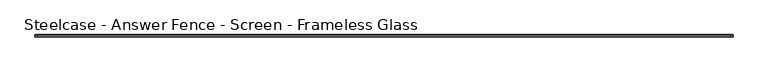
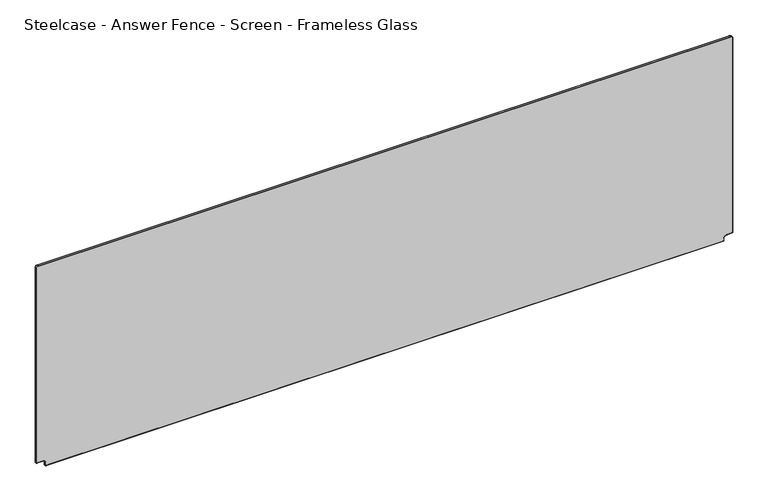
"""IFC4 building model written with IfcOpenShell, lengths in millimetres: furniture geometry, Steelcase - Answer Fence - Screen - Frameless Glass."""

import ifcopenshell
import ifcopenshell.guid

model = None  # the IFC model being written
_history = None  # IfcOwnerHistory: only IFC2X3 demands one
_inside = {}  # id of a spatial element -> (the spatial element, [elements in it])
_under = {}  # id of a project, library or spatial element -> (it, [spatial elements below it])
_declared = {}  # id of a project -> (the project, [libraries it declares])
_typed = {}  # id of a type object -> (the type object, [elements of that type])
_made_of = {}  # id of a material, layer set ... -> (it, [elements and type objects made of it])


def new_model(schema):
    """Start an empty IFC model of exactly this schema.

    Asked for "IFC4X3", IfcOpenShell would pick the latest addendum, in which some entities
    have other attributes; the version numbers below select the first issue.
    IFC2X3 requires an IfcOwnerHistory on every rooted entity: one is made here for all.
    """
    global model, _history
    if schema == "IFC4X3":
        model = ifcopenshell.file(schema_version=(4, 3, 0, 0))
    else:
        model = ifcopenshell.file(schema=schema)
    _inside.clear()
    _under.clear()
    _declared.clear()
    _typed.clear()
    _made_of.clear()
    _history = None
    if model.schema == "IFC2X3":
        org = make("IfcOrganization", Name="unknown")
        user = make(
            "IfcPersonAndOrganization",
            ThePerson=make("IfcPerson", FamilyName="unknown"),
            TheOrganization=org,
        )
        app = make(
            "IfcApplication",
            ApplicationDeveloper=org,
            Version="unknown",
            ApplicationFullName="unknown",
            ApplicationIdentifier="unknown",
        )
        _history = make(
            "IfcOwnerHistory",
            OwningUser=user,
            OwningApplication=app,
            ChangeAction="ADDED",
            CreationDate=0,
        )
    return model


def make(cls, **values):
    """One entity of the class cls with the attributes given. An attribute that is None is left unset."""
    return model.create_entity(
        cls, **{name: value for name, value in values.items() if value is not None}
    )


def rooted(cls, **values):
    """An entity with a GlobalId (a new one), such as an element, a storey or a relation."""
    return make(cls, GlobalId=ifcopenshell.guid.new(), OwnerHistory=_history, **values)


def si_unit(unit_type, name, prefix=None):
    """IfcSIUnit, for example si_unit("LENGTHUNIT", "METRE", prefix="MILLI")."""
    return make("IfcSIUnit", UnitType=unit_type, Prefix=prefix, Name=name)


def assignment(units):
    """IfcUnitAssignment: the units of a project."""
    return None if units is None else make("IfcUnitAssignment", Units=units)


def point(xyz):
    """IfcCartesianPoint."""
    return None if xyz is None else make("IfcCartesianPoint", Coordinates=xyz)


def direction(xyz):
    """IfcDirection."""
    return None if xyz is None else make("IfcDirection", DirectionRatios=xyz)


def frame(location, z_axis=None, x_axis=None):
    """IfcAxis2Placement3D, a coordinate frame: its origin and axes. An axis left out is left unset."""
    return make(
        "IfcAxis2Placement3D",
        Location=point(location),
        Axis=direction(z_axis),
        RefDirection=direction(x_axis),
    )


def origin():
    """The frame at (0, 0, 0) with its axes left unset."""
    return frame((0.0, 0.0, 0.0))


def place(relative_to, where):
    """IfcLocalPlacement: puts the frame where relative to a parent placement (None: the world)."""
    return make(
        "IfcLocalPlacement", PlacementRelTo=relative_to, RelativePlacement=where
    )


def context(
    kind, dimensions, precision=None, world=None, true_north=None, identifier=None
):
    """IfcGeometricRepresentationContext, for example the 3D "Model" context."""
    return make(
        "IfcGeometricRepresentationContext",
        ContextIdentifier=identifier,
        ContextType=kind,
        CoordinateSpaceDimension=dimensions,
        Precision=precision,
        WorldCoordinateSystem=world,
        TrueNorth=true_north,
    )


def project(units=None, contexts=None):
    """IfcProject with its units and contexts."""
    return rooted(
        "IfcProject",
        Name="project",
        RepresentationContexts=contexts,
        UnitsInContext=assignment(units),
    )


def spatial(cls, under=None, at=None, **own):
    """A site, building, storey or space (cls), placed at a placement, below another one or the project."""
    s = rooted(cls, ObjectPlacement=at, **own)
    if under is not None:
        _under.setdefault(under.id(), (under, []))[1].append(s)
    return s


def polyline(points):
    """IfcPolyline through the points."""
    return make("IfcPolyline", Points=[point(p) for p in points])


def circle_curve(where, radius):
    """IfcCircle in the frame where."""
    return make("IfcCircle", Position=where, Radius=radius)


def ellipse_curve(where, semi_axis1, semi_axis2):
    """IfcEllipse in the frame where."""
    return make(
        "IfcEllipse", Position=where, SemiAxis1=semi_axis1, SemiAxis2=semi_axis2
    )


def trimmed(basis, trim1, trim2, sense, master):
    """IfcTrimmedCurve: the piece of a basis curve between two trims."""
    return make(
        "IfcTrimmedCurve",
        BasisCurve=basis,
        Trim1=trim1,
        Trim2=trim2,
        SenseAgreement=sense,
        MasterRepresentation=master,
    )


def shape(context_of_items, identifier, shape_type, items):
    """IfcShapeRepresentation: the items that make up one representation, for example the "Body"."""
    return make(
        "IfcShapeRepresentation",
        ContextOfItems=context_of_items,
        RepresentationIdentifier=identifier,
        RepresentationType=shape_type,
        Items=items,
    )


def source(mapping_origin, context_of_items, identifier, shape_type, items):
    """IfcRepresentationMap: a shape defined once, which mapped items show again and again."""
    return make(
        "IfcRepresentationMap",
        MappingOrigin=mapping_origin,
        MappedRepresentation=shape(context_of_items, identifier, shape_type, items),
    )


def transform(
    local_origin,
    x_axis=None,
    y_axis=None,
    z_axis=None,
    scale=None,
    scale2=None,
    scale3=None,
    uniform=True,
):
    """IfcCartesianTransformationOperator3D, or its non-uniform kind. x_axis, y_axis, z_axis: its Axis1, 2, 3."""
    if uniform:
        return make(
            "IfcCartesianTransformationOperator3D",
            Axis1=direction(x_axis),
            Axis2=direction(y_axis),
            LocalOrigin=point(local_origin),
            Scale=scale,
            Axis3=direction(z_axis),
        )
    return make(
        "IfcCartesianTransformationOperator3DnonUniform",
        Axis1=direction(x_axis),
        Axis2=direction(y_axis),
        LocalOrigin=point(local_origin),
        Scale=scale,
        Axis3=direction(z_axis),
        Scale2=scale2,
        Scale3=scale3,
    )


def mapped(mapping_source, mapping_target):
    """IfcMappedItem: shows the shape of a source again, moved by a transform."""
    return make(
        "IfcMappedItem", MappingSource=mapping_source, MappingTarget=mapping_target
    )


def made_of(thing, what):
    """Note that an element or type object is made of a material, layer set ...; save() writes the relation."""
    if what is not None:
        _made_of.setdefault(what.id(), (what, []))[1].append(thing)
    return thing


def element(
    cls,
    number,
    at=None,
    inside=None,
    cuts=None,
    type_object=None,
    material=None,
    context=None,
    identifier="Body",
    shape_type=None,
    held_by="IfcProductDefinitionShape",
    body=None,
    shapes=None,
    **own,
):
    """One element of the class cls, such as IfcWall. Its Tag is "e" and its number.

    at: its placement. inside: the storey or other place that contains it. cuts: it is an
    opening in that element (IfcRelVoidsElement). A single representation is given by context,
    identifier, shape_type and body (its items); several are given by shapes. held_by: the class
    of the entity that holds the representations. save() writes the other relations.
    """
    e = rooted(cls, Tag="e%d" % number, ObjectPlacement=at, **own)
    if body is not None:
        shapes = [shape(context, identifier, shape_type, body)]
    if shapes is not None:
        e.Representation = make(held_by, Representations=shapes)
    if inside is not None:
        _inside.setdefault(inside.id(), (inside, []))[1].append(e)
    if cuts is not None:
        rooted(
            "IfcRelVoidsElement", RelatingBuildingElement=cuts, RelatedOpeningElement=e
        )
    if type_object is not None:
        _typed.setdefault(type_object.id(), (type_object, []))[1].append(e)
    return made_of(e, material)


def aggregate(whole, parts):
    """IfcRelAggregates: a whole, such as a stair, and the parts it consists of."""
    return rooted("IfcRelAggregates", RelatingObject=whole, RelatedObjects=parts)


def save(model, path):
    """Write the relations noted so far, then the file.

    IfcRelAggregates (storeys below a building ...), IfcRelContainedInSpatialStructure (elements
    in a storey), IfcRelDefinesByType, IfcRelAssociatesMaterial and IfcRelDeclares: one each for
    every whole, place, type object, material and project.
    """
    for whole, parts in _under.values():
        aggregate(whole, parts)
    for where, things in _inside.values():
        rooted(
            "IfcRelContainedInSpatialStructure",
            RelatedElements=things,
            RelatingStructure=where,
        )
    for kind, things in _typed.values():
        rooted("IfcRelDefinesByType", RelatedObjects=things, RelatingType=kind)
    for what, things in _made_of.values():
        rooted("IfcRelAssociatesMaterial", RelatedObjects=things, RelatingMaterial=what)
    for by, libraries in _declared.values():
        rooted("IfcRelDeclares", RelatingContext=by, RelatedDefinitions=libraries)
    model.write(path)


def plane_surface(at):
    """IfcPlane: the flat surface through the origin of the frame at, square to its z axis."""
    return make("IfcPlane", Position=at)


def cylinder_surface(at, radius):
    """IfcCylindricalSurface: all points at the distance radius from the z axis of the frame at."""
    return make("IfcCylindricalSurface", Position=at, Radius=radius)


def revolved_surface(curve, axis_point, axis_direction):
    """IfcSurfaceOfRevolution: the curve turned about the line through axis_point along axis_direction."""
    return make(
        "IfcSurfaceOfRevolution",
        SweptCurve=make("IfcArbitraryOpenProfileDef", ProfileType="CURVE", Curve=curve),
        AxisPosition=make("IfcAxis1Placement", Location=point(axis_point), Axis=direction(axis_direction)),
    )


def advanced_brep(points, edges, surfaces, faces):
    """IfcAdvancedBrep: a solid bounded by faces that lie on surfaces and meet in shared edges.

    An edge is (start, end): straight between two places in points (the first is 0);
    or (start, end, curve); or (start, end, curve, False) where it runs against its curve.
    A face is (place in surfaces, loops), or (place, loops, False) where it looks against
    its surface's normal. A loop lists edges by number (the first is 1), with a minus sign
    where the edge is run from its end to its start. The first loop is the outer one.
    """
    corners = [point(p) for p in points]
    vertices = [make("IfcVertexPoint", VertexGeometry=c) for c in corners]
    made = []
    for start, end, *more in edges:
        made.append(
            make(
                "IfcEdgeCurve",
                EdgeStart=vertices[start],
                EdgeEnd=vertices[end],
                EdgeGeometry=more[0] if more else make("IfcPolyline", Points=[corners[start], corners[end]]),
                SameSense=more[1] if len(more) > 1 else True,
            )
        )
    hull = []
    for where, loops, *sense in faces:
        bounds = []
        for j, loop in enumerate(loops):
            ring = [make("IfcOrientedEdge", EdgeElement=made[abs(k) - 1], Orientation=k > 0) for k in loop]
            bounds.append(
                make(
                    "IfcFaceOuterBound" if j == 0 else "IfcFaceBound",
                    Bound=make("IfcEdgeLoop", EdgeList=ring),
                    Orientation=True,
                )
            )
        hull.append(make("IfcAdvancedFace", Bounds=bounds, FaceSurface=surfaces[where], SameSense=sense[0] if sense else True))
    return make("IfcAdvancedBrep", Outer=make("IfcClosedShell", CfsFaces=hull))


def steelcase_answer_fence_screen_frameless_glass_b4fc2ed7(model_context):
    return source(origin(), model_context, "Body", "AdvancedBrep", [
        advanced_brep(
        [(-37.1058573, 0.0, 1236.4547231), (-32.5585153, 0.0, 1241.0020651), (1785.137377, 0.0, 1240.9797485), (1789.7058573, 0.0, 1236.4335847), (1789.6835407, 0.0, 696.7219419), (1773.9031504, 0.0, 696.7219419), (1765.5535698, 0.0, 688.3723612), (1765.5535698, 0.0, 681.6832625), (-12.9550716, 0.0, 681.6832625), (-12.9550716, 0.0, 688.4063736), (-21.2706399, 0.0, 696.7219419), (-37.0835407, 0.0, 696.7219419), (-32.5585153, -5.9942078, 1241.0018434), (-37.1056357, -5.9942078, 1236.4547231), (-37.1056357, -5.9942078, 696.7219419), (-21.2706399, -5.9942078, 696.6998469), (-12.9550716, -5.9942078, 688.4063736), (-12.9771666, -5.9942078, 681.6832625), (1765.5535698, -5.9942078, 681.6611675), (1765.5756647, -5.9942078, 688.3723612), (1773.9031504, -5.9942078, 696.7219419), (1789.6835407, -5.9942078, 696.6998469), (1789.7056357, -5.9942078, 1236.4335847), (1785.137377, -5.9942078, 1241.0018434), (-38.1106579, -1.0158976, 1236.4547231), (-32.5585153, -1.0158976, 1242.0068656), (-38.1106579, -4.9781981, 1236.4547231), (-32.5585153, -4.9781981, 1242.0068656), (-38.1106579, -1.0158976, 695.6948247), (-38.1106579, -4.9781981, 695.6948247), (-21.2706399, -1.0158976, 695.6948247), (-21.2706399, -4.9781981, 695.6948247), (-13.9821888, -1.0158976, 688.4063736), (-13.9821888, -4.9781981, 688.4063736), (-13.9821888, -1.0158976, 680.6561453), (-13.9821888, -4.9781981, 680.6561453), (1766.580687, -1.0158976, 680.6561453), (1766.580687, -4.9781981, 680.6561453), (1766.580687, -1.0158976, 688.3723612), (1766.580687, -4.9781981, 688.3723612), (1773.9031504, -1.0158976, 695.6948247), (1773.9031504, -4.9781981, 695.6948247), (1790.7106579, -1.0158976, 695.6948247), (1790.7106579, -4.9781981, 695.6948247), (1790.7106579, -1.0158976, 1236.4335847), (1790.7106579, -4.9781981, 1236.4335847), (1785.137377, -1.0158976, 1242.0068656), (1785.137377, -4.9781981, 1242.0068656)],
        [
            (0, 1, circle_curve(frame((-32.5585153, 0.0, 1236.4547231), z_axis=(0.0, 1.0, 0.0), x_axis=(0.0, 0.0, 1.0)), 4.547342)),
            (1, 2),
            (2, 3, circle_curve(frame((1785.137377, 0.0, 1236.4335847), z_axis=(0.0, 1.0, 0.0), x_axis=(1.0, 0.0, 0.0)), 4.5684803)),
            (3, 4),
            (4, 5),
            (5, 6, circle_curve(frame((1773.9031504, 0.0, 688.3723612), z_axis=(0.0, -1.0, 0.0), x_axis=(-1.0, 0.0, 0.0)), 8.3495806)),
            (6, 7),
            (7, 8),
            (8, 9),
            (9, 10, circle_curve(frame((-21.2706399, 0.0, 688.4063736), z_axis=(0.0, -1.0, 0.0), x_axis=(0.0, 0.0, 1.0)), 8.3155683)),
            (10, 11),
            (11, 0),
            (12, 13, circle_curve(frame((-32.5585153, -5.9942078, 1236.4547231), z_axis=(0.0, -1.0, 0.0), x_axis=(0.0, 0.0, 1.0)), 4.5471204)),
            (13, 14),
            (14, 15),
            (15, 16, circle_curve(frame((-21.2706399, -5.9942078, 688.4063736), z_axis=(0.0, 1.0, 0.0), x_axis=(0.0, 0.0, 1.0)), 8.3155683)),
            (16, 17),
            (17, 18),
            (18, 19),
            (19, 20, circle_curve(frame((1773.9031504, -5.9942078, 688.3723612), z_axis=(0.0, 1.0, 0.0), x_axis=(-1.0, 0.0, 0.0)), 8.3495806)),
            (20, 21),
            (21, 22),
            (22, 23, circle_curve(frame((1785.137377, -5.9942078, 1236.4335847), z_axis=(0.0, -1.0, 0.0), x_axis=(1.0, 0.0, 0.0)), 4.5682587)),
            (23, 12),
            (24, 25, circle_curve(frame((-32.5585153, -1.0158976, 1236.4547231), z_axis=(0.0, 1.0, 0.0), x_axis=(0.0, 0.0, 1.0)), 5.5521426)),
            (25, 1, circle_curve(frame((-32.5585153, -1.0158976, 1240.9909068), z_axis=(-1.0, 0.0, 0.0), x_axis=(0.0, 0.0, -1.0)), 1.0159589)),
            (0, 24, circle_curve(frame((-37.094699, -1.0158976, 1236.4547231), z_axis=(0.0, 0.0, 1.0), x_axis=(1.0, 0.0, 0.0)), 1.0159589)),
            (24, 26),
            (26, 27, circle_curve(frame((-32.5585153, -4.9781981, 1236.4547231), z_axis=(0.0, 1.0, 0.0), x_axis=(0.0, 0.0, 1.0)), 5.5521426)),
            (27, 25),
            (26, 13, circle_curve(frame((-37.0945882, -4.9781981, 1236.4547231), z_axis=(0.0, 0.0, 1.0), x_axis=(1.0, 0.0, 0.0)), 1.0160697)),
            (12, 27, circle_curve(frame((-32.5585153, -4.9781981, 1240.990796), z_axis=(-1.0, 0.0, 0.0), x_axis=(0.0, 0.0, -1.0)), 1.0160697)),
            (11, 28, ellipse_curve(frame((-37.094699, -1.0158976, 696.7107836), z_axis=(-0.7071067811865475, 0.0, 0.7071067811865475), x_axis=(0.7071067811865474, 0.0, 0.7071067811865476)), 1.4367828, 1.0159589)),
            (28, 24),
            (28, 29),
            (29, 26),
            (29, 14, ellipse_curve(frame((-37.0945882, -4.9781981, 696.7108944), z_axis=(-0.7071067811865475, 0.0, 0.7071067811865475), x_axis=(0.7071067811865474, 0.0, 0.7071067811865476)), 1.4369395, 1.0160697)),
            (10, 30, circle_curve(frame((-21.2706399, -1.0158976, 696.7107836), z_axis=(-1.0, 0.0, 0.0), x_axis=(0.0, 0.0, 1.0)), 1.0159589)),
            (30, 28),
            (30, 31),
            (31, 29),
            (31, 15, circle_curve(frame((-21.2706399, -4.9781981, 696.7108944), z_axis=(-1.0, 0.0, 0.0), x_axis=(0.0, 0.0, 1.0)), 1.0160697)),
            (9, 32, circle_curve(frame((-12.9662299, -1.0158976, 688.4063736), z_axis=(0.0, 0.0, 1.0), x_axis=(1.0, 0.0, 0.0)), 1.0159589)),
            (32, 30, circle_curve(frame((-21.2706399, -1.0158976, 688.4063736), z_axis=(0.0, -1.0, 0.0), x_axis=(0.0, 0.0, 1.0)), 7.2884511)),
            (32, 33),
            (33, 31, circle_curve(frame((-21.2706399, -4.9781981, 688.4063736), z_axis=(0.0, -1.0, 0.0), x_axis=(0.0, 0.0, 1.0)), 7.2884511)),
            (33, 16, circle_curve(frame((-12.9661191, -4.9781981, 688.4063736), z_axis=(0.0, 0.0, 1.0), x_axis=(1.0, 0.0, 0.0)), 1.0160697)),
            (8, 34, ellipse_curve(frame((-12.9662299, -1.0158976, 681.6721042), z_axis=(-0.7071067811865475, 0.0, 0.7071067811865475), x_axis=(0.7071067811865474, 0.0, 0.7071067811865476)), 1.4367828, 1.0159589)),
            (34, 32),
            (34, 35),
            (35, 33),
            (35, 17, ellipse_curve(frame((-12.9661191, -4.9781981, 681.672215), z_axis=(-0.7071067811865475, 0.0, 0.7071067811865475), x_axis=(0.7071067811865474, 0.0, 0.7071067811865476)), 1.4369395, 1.0160697)),
            (7, 36, ellipse_curve(frame((1765.5647281, -1.0158976, 681.6721042), z_axis=(-0.7071067811865475, 0.0, -0.7071067811865475), x_axis=(-0.7071067811865476, 0.0, 0.7071067811865474)), 1.4367828, 1.0159589)),
            (36, 34),
            (36, 37),
            (37, 35),
            (37, 18, ellipse_curve(frame((1765.5646173, -4.9781981, 681.672215), z_axis=(-0.7071067811865475, 0.0, -0.7071067811865475), x_axis=(-0.7071067811865476, 0.0, 0.7071067811865474)), 1.4369395, 1.0160697)),
            (6, 38, circle_curve(frame((1765.5647281, -1.0158976, 688.3723612), z_axis=(0.0, 0.0, -1.0), x_axis=(-1.0, 0.0, 0.0)), 1.0159589)),
            (38, 36),
            (38, 39),
            (39, 37),
            (39, 19, circle_curve(frame((1765.5646173, -4.9781981, 688.3723612), z_axis=(0.0, 0.0, -1.0), x_axis=(-1.0, 0.0, 0.0)), 1.0160697)),
            (5, 40, circle_curve(frame((1773.9031504, -1.0158976, 696.7107836), z_axis=(-1.0, 0.0, 0.0), x_axis=(0.0, 0.0, 1.0)), 1.0159589)),
            (40, 38, circle_curve(frame((1773.9031504, -1.0158976, 688.3723612), z_axis=(0.0, -1.0, 0.0), x_axis=(-1.0, 0.0, 0.0)), 7.3224635)),
            (40, 41),
            (41, 39, circle_curve(frame((1773.9031504, -4.9781981, 688.3723612), z_axis=(0.0, -1.0, 0.0), x_axis=(-1.0, 0.0, 0.0)), 7.3224635)),
            (41, 20, circle_curve(frame((1773.9031504, -4.9781981, 696.7108944), z_axis=(-1.0, 0.0, 0.0), x_axis=(0.0, 0.0, 1.0)), 1.0160697)),
            (4, 42, ellipse_curve(frame((1789.694699, -1.0158976, 696.7107836), z_axis=(-0.7071067811865475, 0.0, -0.7071067811865475), x_axis=(-0.7071067811865476, 0.0, 0.7071067811865474)), 1.4367828, 1.0159589)),
            (42, 40),
            (42, 43),
            (43, 41),
            (43, 21, ellipse_curve(frame((1789.6945882, -4.9781981, 696.7108944), z_axis=(-0.7071067811865475, 0.0, -0.7071067811865475), x_axis=(-0.7071067811865476, 0.0, 0.7071067811865474)), 1.4369395, 1.0160697)),
            (3, 44, circle_curve(frame((1789.694699, -1.0158976, 1236.4335847), z_axis=(0.0, 0.0, -1.0), x_axis=(-1.0, 0.0, 0.0)), 1.0159589)),
            (44, 42),
            (44, 45),
            (45, 43),
            (45, 22, circle_curve(frame((1789.6945882, -4.9781981, 1236.4335847), z_axis=(0.0, 0.0, -1.0), x_axis=(-1.0, 0.0, 0.0)), 1.0160697)),
            (2, 46, circle_curve(frame((1785.137377, -1.0158976, 1240.9909068), z_axis=(1.0, 0.0, 0.0), x_axis=(0.0, 0.0, -1.0)), 1.0159589)),
            (46, 44, circle_curve(frame((1785.137377, -1.0158976, 1236.4335847), z_axis=(0.0, 1.0, 0.0), x_axis=(1.0, 0.0, 0.0)), 5.5732809)),
            (46, 47),
            (47, 45, circle_curve(frame((1785.137377, -4.9781981, 1236.4335847), z_axis=(0.0, 1.0, 0.0), x_axis=(1.0, 0.0, 0.0)), 5.5732809)),
            (47, 23, circle_curve(frame((1785.137377, -4.9781981, 1240.990796), z_axis=(1.0, 0.0, 0.0), x_axis=(0.0, 0.0, -1.0)), 1.0160697)),
            (25, 46),
            (27, 47),
        ],
        [
            plane_surface(frame((-32.5585153, 0.0, 1240.9797485), z_axis=(0.0, 1.0, 0.0), x_axis=(1.0, 0.0, 0.0))),
            plane_surface(frame((-32.5585153, -5.9942078, 1240.9797485), z_axis=(0.0, -1.0, 0.0), x_axis=(-1.0, 0.0, 0.0))),
            revolved_surface(trimmed(ellipse_curve(frame((-32.5585153, -1.0158976, 1240.9909068), z_axis=(1.0, 0.0, 0.0), x_axis=(0.0, 0.0, -1.0)), 1.0159589, 1.0159589), [point((-32.5585153, 0.0, 1240.9797485))], [point((-32.5585153, -1.0158976, 1242.0068656))], True, "CARTESIAN"), (-32.5585153, -5.9942078, 1236.4547231), (0.0, -1.0, 0.0)),
            cylinder_surface(frame((-32.5585153, -5.9942078, 1236.4547231), z_axis=(0.0, -1.0, 0.0), x_axis=(0.0, 0.0, 1.0)), 5.5521426),
            revolved_surface(trimmed(ellipse_curve(frame((-32.5585153, -4.9781981, 1240.990796), z_axis=(1.0, 0.0, 0.0), x_axis=(0.0, 0.0, -1.0)), 1.0160697, 1.0160697), [point((-32.5585153, -4.9781981, 1242.0068656))], [point((-32.5585153, -5.9942078, 1240.9797485))], True, "CARTESIAN"), (-32.5585153, -5.9942078, 1236.4547231), (0.0, -1.0, 0.0)),
            cylinder_surface(frame((-37.094699, -1.0158976, 1236.4547231), z_axis=(0.0, 0.0, 1.0), x_axis=(1.0, 0.0, 0.0)), 1.0159589),
            plane_surface(frame((-38.1106579, -1.0158976, 1236.4547231), z_axis=(-1.0, 0.0, 0.0), x_axis=(0.0, 0.0, -1.0))),
            cylinder_surface(frame((-37.0945882, -4.9781981, 1236.4547231), z_axis=(0.0, 0.0, 1.0), x_axis=(1.0, 0.0, 0.0)), 1.0160697),
            cylinder_surface(frame((-37.0835407, -1.0158976, 696.7107836), z_axis=(-1.0, 0.0, 0.0), x_axis=(0.0, 0.0, 1.0)), 1.0159589),
            plane_surface(frame((-38.1106579, -1.0158976, 695.6948247), z_axis=(0.0, 0.0, -1.0), x_axis=(1.0, 0.0, 0.0))),
            cylinder_surface(frame((-37.0835407, -4.9781981, 696.7108944), z_axis=(-1.0, 0.0, 0.0), x_axis=(0.0, 0.0, 1.0)), 1.0160697),
            revolved_surface(trimmed(ellipse_curve(frame((-21.2706399, -1.0158976, 696.7107836), z_axis=(-1.0, 0.0, 0.0), x_axis=(0.0, 0.0, 1.0)), 1.0159589, 1.0159589), [point((-21.2706399, 0.0, 696.7219419))], [point((-21.2706399, -1.0158976, 695.6948247))], True, "CARTESIAN"), (-21.2706399, -5.9942078, 688.4063736), (0.0, 1.0, 0.0)),
            revolved_surface(polyline([(-21.2706399, -1.0158975999999997, 695.6948247), (-21.2706399, -4.9781981, 695.6948247)]), (-21.2706399, -5.9942078, 688.4063736), (0.0, 1.0, 0.0)),
            revolved_surface(trimmed(ellipse_curve(frame((-21.2706399, -4.9781981, 696.7108944), z_axis=(-1.0, 0.0, 0.0), x_axis=(0.0, 0.0, 1.0)), 1.0160697, 1.0160697), [point((-21.2706399, -4.9781981, 695.6948247))], [point((-21.2706399, -5.9942078, 696.7219419))], True, "CARTESIAN"), (-21.2706399, -5.9942078, 688.4063736), (0.0, 1.0, 0.0)),
            cylinder_surface(frame((-12.9662299, -1.0158976, 688.4063736), z_axis=(0.0, 0.0, 1.0), x_axis=(1.0, 0.0, 0.0)), 1.0159589),
            plane_surface(frame((-13.9821888, -1.0158976, 688.4063736), z_axis=(-1.0, 0.0, 0.0), x_axis=(0.0, 0.0, -1.0))),
            cylinder_surface(frame((-12.9661191, -4.9781981, 688.4063736), z_axis=(0.0, 0.0, 1.0), x_axis=(1.0, 0.0, 0.0)), 1.0160697),
            cylinder_surface(frame((-12.9550716, -1.0158976, 681.6721042), z_axis=(-1.0, 0.0, 0.0), x_axis=(0.0, 0.0, 1.0)), 1.0159589),
            plane_surface(frame((-13.9821888, -1.0158976, 680.6561453), z_axis=(0.0, 0.0, -1.0), x_axis=(1.0, 0.0, 0.0))),
            cylinder_surface(frame((-12.9550716, -4.9781981, 681.672215), z_axis=(-1.0, 0.0, 0.0), x_axis=(0.0, 0.0, 1.0)), 1.0160697),
            cylinder_surface(frame((1765.5647281, -1.0158976, 681.6832625), z_axis=(0.0, 0.0, -1.0), x_axis=(-1.0, 0.0, 0.0)), 1.0159589),
            plane_surface(frame((1766.580687, -1.0158976, 680.6561453), z_axis=(1.0, 0.0, 0.0), x_axis=(0.0, 0.0, 1.0))),
            cylinder_surface(frame((1765.5646173, -4.9781981, 681.6832625), z_axis=(0.0, 0.0, -1.0), x_axis=(-1.0, 0.0, 0.0)), 1.0160697),
            revolved_surface(trimmed(ellipse_curve(frame((1765.5647281, -1.0158976, 688.3723612), z_axis=(0.0, 0.0, -1.0), x_axis=(-1.0, 0.0, 0.0)), 1.0159589, 1.0159589), [point((1765.5535698, 0.0, 688.3723612))], [point((1766.580687, -1.0158976, 688.3723612))], True, "CARTESIAN"), (1773.9031504, -5.9942078, 688.3723612), (0.0, 1.0, 0.0)),
            revolved_surface(polyline([(1766.5806869, -1.0158975999999997, 688.3723612), (1766.5806869, -4.9781981, 688.3723612)]), (1773.9031504, -5.9942078, 688.3723612), (0.0, 1.0, 0.0)),
            revolved_surface(trimmed(ellipse_curve(frame((1765.5646173, -4.9781981, 688.3723612), z_axis=(0.0, 0.0, -1.0), x_axis=(-1.0, 0.0, 0.0)), 1.0160697, 1.0160697), [point((1766.580687, -4.9781981, 688.3723612))], [point((1765.5535698, -5.9942078, 688.3723612))], True, "CARTESIAN"), (1773.9031504, -5.9942078, 688.3723612), (0.0, 1.0, 0.0)),
            cylinder_surface(frame((1773.9031504, -1.0158976, 696.7107836), z_axis=(-1.0, 0.0, 0.0), x_axis=(0.0, 0.0, 1.0)), 1.0159589),
            plane_surface(frame((1773.9031504, -1.0158976, 695.6948247), z_axis=(0.0, 0.0, -1.0), x_axis=(1.0, 0.0, 0.0))),
            cylinder_surface(frame((1773.9031504, -4.9781981, 696.7108944), z_axis=(-1.0, 0.0, 0.0), x_axis=(0.0, 0.0, 1.0)), 1.0160697),
            cylinder_surface(frame((1789.694699, -1.0158976, 696.7219419), z_axis=(0.0, 0.0, -1.0), x_axis=(-1.0, 0.0, 0.0)), 1.0159589),
            plane_surface(frame((1790.7106579, -1.0158976, 695.6948247), z_axis=(1.0, 0.0, 0.0), x_axis=(0.0, 0.0, 1.0))),
            cylinder_surface(frame((1789.6945882, -4.9781981, 696.7219419), z_axis=(0.0, 0.0, -1.0), x_axis=(-1.0, 0.0, 0.0)), 1.0160697),
            revolved_surface(trimmed(ellipse_curve(frame((1789.694699, -1.0158976, 1236.4335847), z_axis=(0.0, 0.0, -1.0), x_axis=(-1.0, 0.0, 0.0)), 1.0159589, 1.0159589), [point((1789.6835407, 0.0, 1236.4335847))], [point((1790.7106579, -1.0158976, 1236.4335847))], True, "CARTESIAN"), (1785.137377, -5.9942078, 1236.4335847), (0.0, -1.0, 0.0)),
            cylinder_surface(frame((1785.137377, -5.9942078, 1236.4335847), z_axis=(0.0, -1.0, 0.0), x_axis=(1.0, 0.0, 0.0)), 5.5732809),
            revolved_surface(trimmed(ellipse_curve(frame((1789.6945882, -4.9781981, 1236.4335847), z_axis=(0.0, 0.0, -1.0), x_axis=(-1.0, 0.0, 0.0)), 1.0160697, 1.0160697), [point((1790.7106579, -4.9781981, 1236.4335847))], [point((1789.6835407, -5.9942078, 1236.4335847))], True, "CARTESIAN"), (1785.137377, -5.9942078, 1236.4335847), (0.0, -1.0, 0.0)),
            cylinder_surface(frame((1785.137377, -1.0158976, 1240.9909068), z_axis=(1.0, 0.0, 0.0), x_axis=(0.0, 0.0, -1.0)), 1.0159589),
            plane_surface(frame((1785.137377, -1.0158976, 1242.0068656), z_axis=(0.0, 0.0, 1.0), x_axis=(-1.0, 0.0, 0.0))),
            cylinder_surface(frame((1785.137377, -4.9781981, 1240.990796), z_axis=(1.0, 0.0, 0.0), x_axis=(0.0, 0.0, -1.0)), 1.0160697),
        ],
        [
            (0, [[1, 2, 3, 4, 5, 6, 7, 8, 9, 10, 11, 12]]),
            (1, [[13, 14, 15, 16, 17, 18, 19, 20, 21, 22, 23, 24]]),
            (2, [[25, 26, -1, 27]]),
            (3, [[-25, 28, 29, 30]]),
            (4, [[-29, 31, -13, 32]]),
            (5, [[-27, -12, 33, 34]]),
            (6, [[-28, -34, 35, 36]]),
            (7, [[-31, -36, 37, -14]]),
            (8, [[-33, -11, 38, 39]]),
            (9, [[-35, -39, 40, 41]]),
            (10, [[-37, -41, 42, -15]]),
            (11, [[-38, -10, 43, 44]]),
            (12, [[-40, -44, 45, 46]]),
            (13, [[-42, -46, 47, -16]]),
            (14, [[-43, -9, 48, 49]]),
            (15, [[-45, -49, 50, 51]]),
            (16, [[-47, -51, 52, -17]]),
            (17, [[-48, -8, 53, 54]]),
            (18, [[-50, -54, 55, 56]]),
            (19, [[-52, -56, 57, -18]]),
            (20, [[-53, -7, 58, 59]]),
            (21, [[-55, -59, 60, 61]]),
            (22, [[-57, -61, 62, -19]]),
            (23, [[-58, -6, 63, 64]]),
            (24, [[-60, -64, 65, 66]]),
            (25, [[-62, -66, 67, -20]]),
            (26, [[-63, -5, 68, 69]]),
            (27, [[-65, -69, 70, 71]]),
            (28, [[-67, -71, 72, -21]]),
            (29, [[-68, -4, 73, 74]]),
            (30, [[-70, -74, 75, 76]]),
            (31, [[-72, -76, 77, -22]]),
            (32, [[-73, -3, 78, 79]]),
            (33, [[-75, -79, 80, 81]]),
            (34, [[-77, -81, 82, -23]]),
            (35, [[-26, 83, -78, -2]]),
            (36, [[-30, 84, -80, -83]]),
            (37, [[-32, -24, -82, -84]]),
        ],
    ),
    ])


if __name__ == "__main__":
    model = new_model("IFC4")
    model_context = context("Model", 3, world=origin())
    ifc_project = project(units=[si_unit("LENGTHUNIT", "METRE", prefix="MILLI")], contexts=[model_context])
    site = spatial("IfcSite", under=ifc_project)
    building = spatial("IfcBuilding", under=site)
    placement = place(None, origin())
    steelcase_answer_fence_screen_frameless_glass_shape = steelcase_answer_fence_screen_frameless_glass_b4fc2ed7(model_context)
    element("IfcFurniture", 1, ObjectType="Steelcase - Answer Fence - Screen - Frameless Glass", at=placement, inside=building, context=model_context, shape_type="MappedRepresentation", body=[
        mapped(steelcase_answer_fence_screen_frameless_glass_shape, transform((0.0, 0.0, 0.0), x_axis=(1.0, 0.0, 0.0), y_axis=(0.0, 1.0, 0.0), z_axis=(0.0, 0.0, 1.0))),
    ])
    save(model, "model.ifc")
